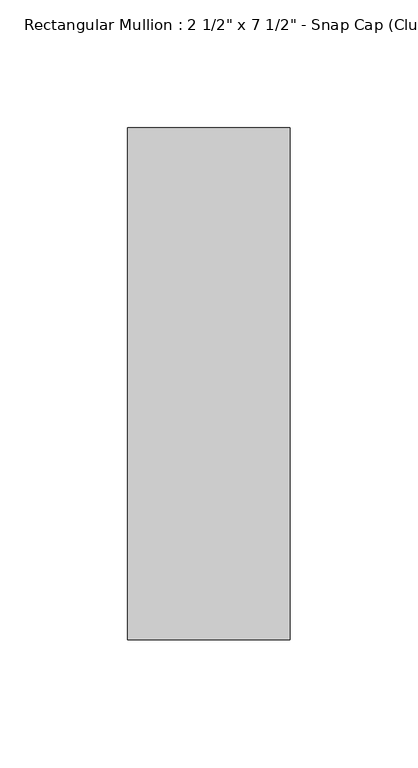
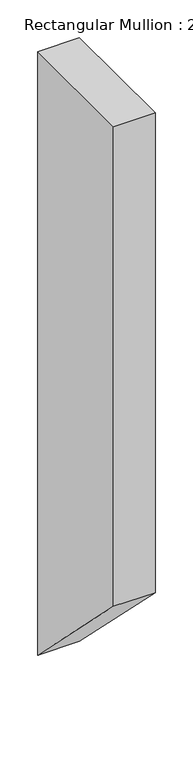
"""IFC4 building model written with IfcOpenShell, lengths in millimetres: member geometry."""

import ifcopenshell
import ifcopenshell.guid

model = None  # the IFC model being written
_history = None  # IfcOwnerHistory: only IFC2X3 demands one
_inside = {}  # id of a spatial element -> (the spatial element, [elements in it])
_under = {}  # id of a project, library or spatial element -> (it, [spatial elements below it])
_declared = {}  # id of a project -> (the project, [libraries it declares])
_typed = {}  # id of a type object -> (the type object, [elements of that type])
_made_of = {}  # id of a material, layer set ... -> (it, [elements and type objects made of it])


def new_model(schema):
    """Start an empty IFC model of exactly this schema.

    Asked for "IFC4X3", IfcOpenShell would pick the latest addendum, in which some entities
    have other attributes; the version numbers below select the first issue.
    IFC2X3 requires an IfcOwnerHistory on every rooted entity: one is made here for all.
    """
    global model, _history
    if schema == "IFC4X3":
        model = ifcopenshell.file(schema_version=(4, 3, 0, 0))
    else:
        model = ifcopenshell.file(schema=schema)
    _inside.clear()
    _under.clear()
    _declared.clear()
    _typed.clear()
    _made_of.clear()
    _history = None
    if model.schema == "IFC2X3":
        org = make("IfcOrganization", Name="unknown")
        user = make(
            "IfcPersonAndOrganization",
            ThePerson=make("IfcPerson", FamilyName="unknown"),
            TheOrganization=org,
        )
        app = make(
            "IfcApplication",
            ApplicationDeveloper=org,
            Version="unknown",
            ApplicationFullName="unknown",
            ApplicationIdentifier="unknown",
        )
        _history = make(
            "IfcOwnerHistory",
            OwningUser=user,
            OwningApplication=app,
            ChangeAction="ADDED",
            CreationDate=0,
        )
    return model


def make(cls, **values):
    """One entity of the class cls with the attributes given. An attribute that is None is left unset."""
    return model.create_entity(
        cls, **{name: value for name, value in values.items() if value is not None}
    )


def rooted(cls, **values):
    """An entity with a GlobalId (a new one), such as an element, a storey or a relation."""
    return make(cls, GlobalId=ifcopenshell.guid.new(), OwnerHistory=_history, **values)


def si_unit(unit_type, name, prefix=None):
    """IfcSIUnit, for example si_unit("LENGTHUNIT", "METRE", prefix="MILLI")."""
    return make("IfcSIUnit", UnitType=unit_type, Prefix=prefix, Name=name)


def assignment(units):
    """IfcUnitAssignment: the units of a project."""
    return None if units is None else make("IfcUnitAssignment", Units=units)


def point(xyz):
    """IfcCartesianPoint."""
    return None if xyz is None else make("IfcCartesianPoint", Coordinates=xyz)


def direction(xyz):
    """IfcDirection."""
    return None if xyz is None else make("IfcDirection", DirectionRatios=xyz)


def frame(location, z_axis=None, x_axis=None):
    """IfcAxis2Placement3D, a coordinate frame: its origin and axes. An axis left out is left unset."""
    return make(
        "IfcAxis2Placement3D",
        Location=point(location),
        Axis=direction(z_axis),
        RefDirection=direction(x_axis),
    )


def origin():
    """The frame at (0, 0, 0) with its axes left unset."""
    return frame((0.0, 0.0, 0.0))


def place(relative_to, where):
    """IfcLocalPlacement: puts the frame where relative to a parent placement (None: the world)."""
    return make(
        "IfcLocalPlacement", PlacementRelTo=relative_to, RelativePlacement=where
    )


def context(
    kind, dimensions, precision=None, world=None, true_north=None, identifier=None
):
    """IfcGeometricRepresentationContext, for example the 3D "Model" context."""
    return make(
        "IfcGeometricRepresentationContext",
        ContextIdentifier=identifier,
        ContextType=kind,
        CoordinateSpaceDimension=dimensions,
        Precision=precision,
        WorldCoordinateSystem=world,
        TrueNorth=true_north,
    )


def project(units=None, contexts=None):
    """IfcProject with its units and contexts."""
    return rooted(
        "IfcProject",
        Name="project",
        RepresentationContexts=contexts,
        UnitsInContext=assignment(units),
    )


def spatial(cls, under=None, at=None, **own):
    """A site, building, storey or space (cls), placed at a placement, below another one or the project."""
    s = rooted(cls, ObjectPlacement=at, **own)
    if under is not None:
        _under.setdefault(under.id(), (under, []))[1].append(s)
    return s


def polyline(points):
    """IfcPolyline through the points."""
    return make("IfcPolyline", Points=[point(p) for p in points])


def outline(outer, holes=None, kind="AREA"):
    """IfcArbitraryClosedProfileDef: a profile drawn as a closed curve; with holes, ...WithVoids."""
    if holes is None:
        return make("IfcArbitraryClosedProfileDef", ProfileType=kind, OuterCurve=outer)
    return make(
        "IfcArbitraryProfileDefWithVoids",
        ProfileType=kind,
        OuterCurve=outer,
        InnerCurves=holes,
    )


def extrude(swept, where, along, depth):
    """IfcExtrudedAreaSolid: the profile swept, set in the frame where, extruded along a direction by depth."""
    return make(
        "IfcExtrudedAreaSolid",
        SweptArea=swept,
        Position=where,
        ExtrudedDirection=direction(along),
        Depth=depth,
    )


def shape(context_of_items, identifier, shape_type, items):
    """IfcShapeRepresentation: the items that make up one representation, for example the "Body"."""
    return make(
        "IfcShapeRepresentation",
        ContextOfItems=context_of_items,
        RepresentationIdentifier=identifier,
        RepresentationType=shape_type,
        Items=items,
    )


def source(mapping_origin, context_of_items, identifier, shape_type, items):
    """IfcRepresentationMap: a shape defined once, which mapped items show again and again."""
    return make(
        "IfcRepresentationMap",
        MappingOrigin=mapping_origin,
        MappedRepresentation=shape(context_of_items, identifier, shape_type, items),
    )


def transform(
    local_origin,
    x_axis=None,
    y_axis=None,
    z_axis=None,
    scale=None,
    scale2=None,
    scale3=None,
    uniform=True,
):
    """IfcCartesianTransformationOperator3D, or its non-uniform kind. x_axis, y_axis, z_axis: its Axis1, 2, 3."""
    if uniform:
        return make(
            "IfcCartesianTransformationOperator3D",
            Axis1=direction(x_axis),
            Axis2=direction(y_axis),
            LocalOrigin=point(local_origin),
            Scale=scale,
            Axis3=direction(z_axis),
        )
    return make(
        "IfcCartesianTransformationOperator3DnonUniform",
        Axis1=direction(x_axis),
        Axis2=direction(y_axis),
        LocalOrigin=point(local_origin),
        Scale=scale,
        Axis3=direction(z_axis),
        Scale2=scale2,
        Scale3=scale3,
    )


def mapped(mapping_source, mapping_target):
    """IfcMappedItem: shows the shape of a source again, moved by a transform."""
    return make(
        "IfcMappedItem", MappingSource=mapping_source, MappingTarget=mapping_target
    )


def made_of(thing, what):
    """Note that an element or type object is made of a material, layer set ...; save() writes the relation."""
    if what is not None:
        _made_of.setdefault(what.id(), (what, []))[1].append(thing)
    return thing


def element(
    cls,
    number,
    at=None,
    inside=None,
    cuts=None,
    type_object=None,
    material=None,
    context=None,
    identifier="Body",
    shape_type=None,
    held_by="IfcProductDefinitionShape",
    body=None,
    shapes=None,
    **own,
):
    """One element of the class cls, such as IfcWall. Its Tag is "e" and its number.

    at: its placement. inside: the storey or other place that contains it. cuts: it is an
    opening in that element (IfcRelVoidsElement). A single representation is given by context,
    identifier, shape_type and body (its items); several are given by shapes. held_by: the class
    of the entity that holds the representations. save() writes the other relations.
    """
    e = rooted(cls, Tag="e%d" % number, ObjectPlacement=at, **own)
    if body is not None:
        shapes = [shape(context, identifier, shape_type, body)]
    if shapes is not None:
        e.Representation = make(held_by, Representations=shapes)
    if inside is not None:
        _inside.setdefault(inside.id(), (inside, []))[1].append(e)
    if cuts is not None:
        rooted(
            "IfcRelVoidsElement", RelatingBuildingElement=cuts, RelatedOpeningElement=e
        )
    if type_object is not None:
        _typed.setdefault(type_object.id(), (type_object, []))[1].append(e)
    return made_of(e, material)


def aggregate(whole, parts):
    """IfcRelAggregates: a whole, such as a stair, and the parts it consists of."""
    return rooted("IfcRelAggregates", RelatingObject=whole, RelatedObjects=parts)


def save(model, path):
    """Write the relations noted so far, then the file.

    IfcRelAggregates (storeys below a building ...), IfcRelContainedInSpatialStructure (elements
    in a storey), IfcRelDefinesByType, IfcRelAssociatesMaterial and IfcRelDeclares: one each for
    every whole, place, type object, material and project.
    """
    for whole, parts in _under.values():
        aggregate(whole, parts)
    for where, things in _inside.values():
        rooted(
            "IfcRelContainedInSpatialStructure",
            RelatedElements=things,
            RelatingStructure=where,
        )
    for kind, things in _typed.values():
        rooted("IfcRelDefinesByType", RelatedObjects=things, RelatingType=kind)
    for what, things in _made_of.values():
        rooted("IfcRelAssociatesMaterial", RelatedObjects=things, RelatingMaterial=what)
    for by, libraries in _declared.values():
        rooted("IfcRelDeclares", RelatingContext=by, RelatedDefinitions=libraries)
    model.write(path)


def member_6a188241(model_context):
    return source(origin(), model_context, "Body", "SweptSolid", [
        extrude(outline(polyline([(-174.2, 0.0), (25.8, 0.0), (25.8, -974.0701127), (-174.2, -774.0701127), (-174.2, 0.0)])), frame((-63.5, 0.0, 0.0), z_axis=(1.0, 0.0, 0.0), x_axis=(0.0, 1.0, 0.0)), (0.0, 0.0, 1.0), 63.5),
    ])


if __name__ == "__main__":
    model = new_model("IFC4")
    model_context = context("Model", 3, world=origin())
    ifc_project = project(units=[si_unit("LENGTHUNIT", "METRE", prefix="MILLI")], contexts=[model_context])
    site = spatial("IfcSite", under=ifc_project)
    building = spatial("IfcBuilding", under=site)
    placement = place(None, origin())
    member_shape = member_6a188241(model_context)
    element("IfcMember", 1, ObjectType="Rectangular Mullion : 2 1/2\" x 7 1/2\" - Snap Cap (Club)", at=placement, inside=building, context=model_context, shape_type="MappedRepresentation", body=[
        mapped(member_shape, transform((0.0, 0.0, 0.0), x_axis=(1.0, 0.0, 0.0), y_axis=(0.0, 1.0, 0.0), z_axis=(0.0, 0.0, 1.0))),
    ])
    save(model, "model.ifc")
